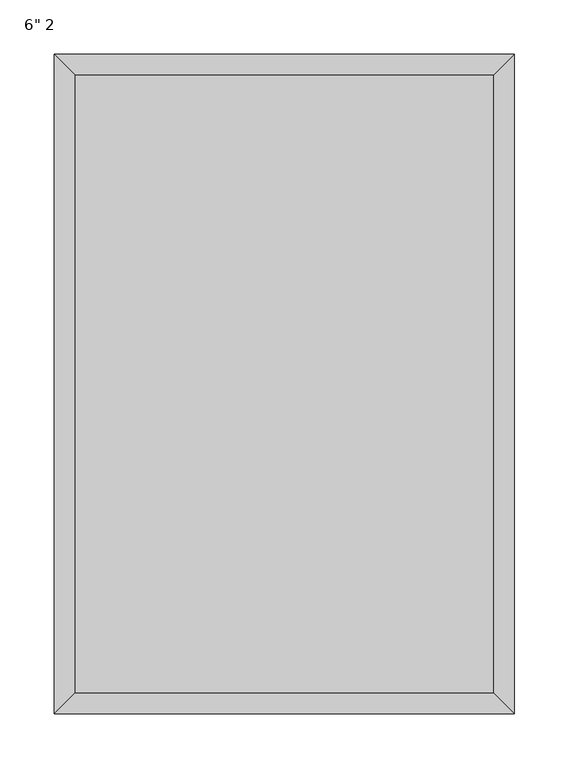
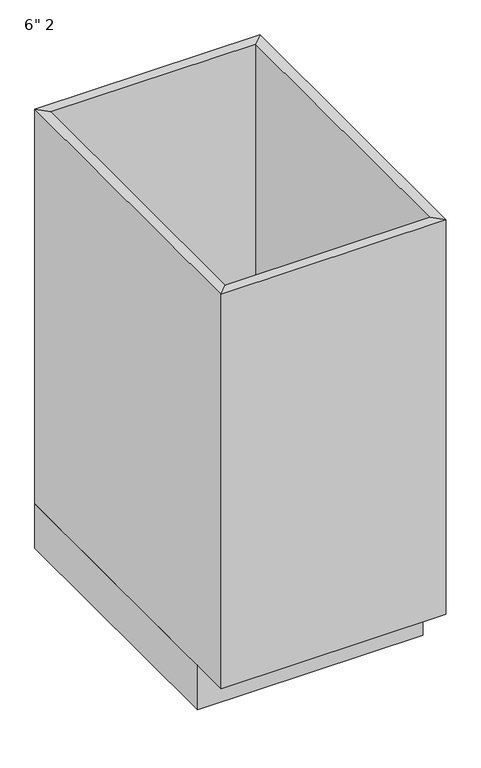
"""IFC4 building model written with IfcOpenShell, lengths in millimetres: furniture geometry."""

from ifc_helpers import new_model, si_unit, frame, origin, origin_with_axes, place, context, project, spatial, polyline, outline, extrude, faceted_brep, source, transform, mapped, element, save


def furniture_0a2ea94d(model_context):
    return source(origin(), model_context, "Body", "SolidModel", [
        extrude(outline(polyline([(212.4127049, -19.05), (212.4127049, -590.55), (-174.9372951, -590.55), (-174.9372951, -19.05), (212.4127049, -19.05)])), frame((0.0, 0.0, 88.9), z_axis=(0.0, 0.0, 1.0), x_axis=(1.0, 0.0, 0.0)), (0.0, 0.0, 1.0), 19.05),
        faceted_brep([(212.4127049, -590.55, 876.3), (212.4127049, -590.55, 88.9), (-174.9372951, -590.55, 88.9), (-174.9372951, -590.55, 876.3), (231.4627049, -609.6, 876.3), (-193.9872951, -609.6, 876.3), (231.4627049, -609.6, 88.9), (-193.9872951, -609.6, 88.9), (-174.9372951, -19.05, 88.9), (-174.9372951, -19.05, 876.3), (-193.9872951, 0.0, 876.3), (-193.9872951, 0.0, 88.9), (212.4127049, -19.05, 88.9), (212.4127049, -19.05, 876.3), (231.4627049, 0.0, 876.3), (231.4627049, 0.0, 88.9)], [[[0, 1, 2, 3]], [[4, 0, 3, 5]], [[6, 4, 5, 7]], [[1, 6, 7, 2]], [[3, 2, 8, 9]], [[5, 3, 9, 10]], [[7, 5, 10, 11]], [[2, 7, 11, 8]], [[9, 8, 12, 13]], [[10, 9, 13, 14]], [[11, 10, 14, 15]], [[8, 11, 15, 12]], [[13, 12, 1, 0]], [[14, 13, 0, 4]], [[15, 14, 4, 6]], [[12, 15, 6, 1]]]),
        extrude(outline(polyline([(231.4627049, 0.0), (231.4627049, -533.4), (-193.9872951, -533.4), (-193.9872951, 0.0), (231.4627049, 0.0)])), origin_with_axes(), (0.0, 0.0, 1.0), 88.9),
    ])


if __name__ == "__main__":
    model = new_model("IFC4")
    model_context = context("Model", 3, world=origin())
    ifc_project = project(units=[si_unit("LENGTHUNIT", "METRE", prefix="MILLI")], contexts=[model_context])
    site = spatial("IfcSite", under=ifc_project)
    building = spatial("IfcBuilding", under=site)
    placement = place(None, origin())
    furniture_shape = furniture_0a2ea94d(model_context)
    element("IfcFurniture", 1, ObjectType="6\" 2", at=placement, inside=building, context=model_context, shape_type="MappedRepresentation", body=[
        mapped(furniture_shape, transform((0.0, 0.0, 0.0), x_axis=(1.0, 0.0, 0.0), y_axis=(0.0, 1.0, 0.0), z_axis=(0.0, 0.0, 1.0))),
    ])
    save(model, "model.ifc")
